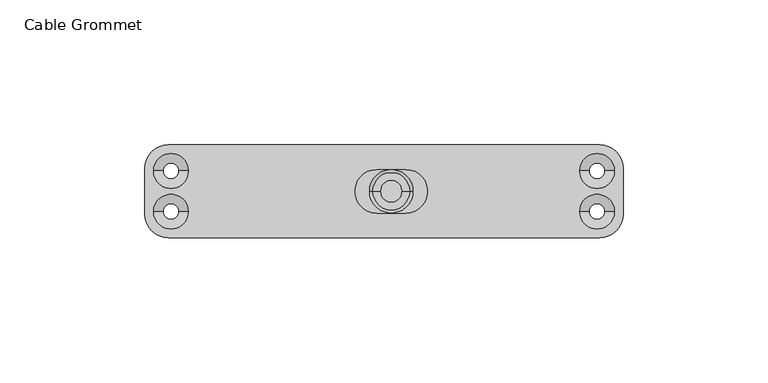
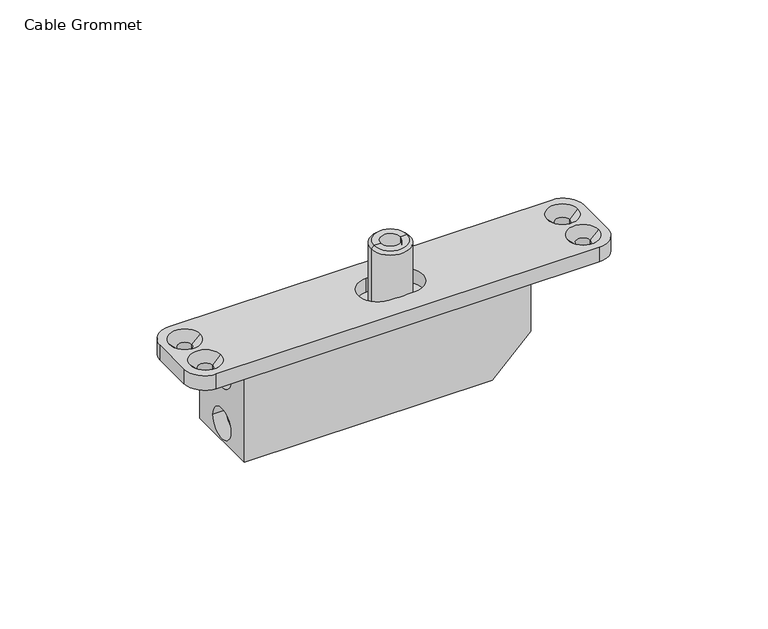
"""IFC4 building model written with IfcOpenShell, lengths in millimetres: proxy geometry, Cable Grommet."""

from ifc_helpers import new_model, si_unit, frame, origin, place, context, project, spatial, polyline, circle_curve, source, transform, mapped, element, save
from ifc_brep_helpers import plane_surface, cylinder_surface, revolved_surface, advanced_brep


def cable_grommet_64880d2e(model_context):
    return source(origin(), model_context, "Body", "AdvancedBrep", [
        advanced_brep(
        [(-65.6, -15.0, -41.0), (31.0, -15.0, -41.0), (46.0, -15.0, -26.0), (46.0, -15.0, -6.0), (-65.6, -15.0, -6.0), (-65.6, 15.0, -41.0), (-65.6, 15.0, -6.0), (46.0, 15.0, -6.0), (46.0, 15.0, -26.0), (31.0, 15.0, -41.0), (-65.6, -6.1, -13.0), (-65.6, 6.1, -13.0), (-65.6, -6.1, -34.0), (-65.6, 6.1, -34.0), (-60.45, -6.1, -13.0), (-60.45, 6.1, -13.0), (-56.45, -3.1, -13.0), (-56.45, 0.0, -13.0), (-56.45, 3.1, -13.0), (-57.45, 3.1, -13.0), (-57.45, -3.1, -13.0), (-60.45, -6.1, -34.0), (-60.45, 6.1, -34.0), (-56.45, -3.1, -34.0), (-56.45, 0.0, -34.0), (-56.45, 3.1, -34.0), (-57.45, 3.1, -34.0), (-57.45, -3.1, -34.0)],
        [
            (0, 1),
            (1, 2),
            (2, 3),
            (3, 4),
            (4, 0),
            (5, 6),
            (6, 7),
            (7, 8),
            (8, 9),
            (9, 5),
            (0, 5),
            (9, 1),
            (8, 2),
            (7, 3),
            (6, 4),
            (10, 11, circle_curve(frame((-65.6, 0.0, -13.0), z_axis=(1.0, 0.0, 0.0), x_axis=(0.0, 1.0, 0.0)), 6.1)),
            (11, 10, circle_curve(frame((-65.6, 0.0, -13.0), z_axis=(1.0, 0.0, 0.0), x_axis=(0.0, 1.0, 0.0)), 6.1)),
            (12, 13, circle_curve(frame((-65.6, 0.0, -34.0), z_axis=(1.0, 0.0, 0.0), x_axis=(0.0, 1.0, 0.0)), 6.1)),
            (13, 12, circle_curve(frame((-65.6, 0.0, -34.0), z_axis=(1.0, 0.0, 0.0), x_axis=(0.0, 1.0, 0.0)), 6.1)),
            (10, 14),
            (14, 15, circle_curve(frame((-60.45, 0.0, -13.0), z_axis=(1.0, 0.0, 0.0), x_axis=(0.0, 1.0, 0.0)), 6.1)),
            (15, 11),
            (15, 14, circle_curve(frame((-60.45, 0.0, -13.0), z_axis=(1.0, 0.0, 0.0), x_axis=(0.0, 1.0, 0.0)), 6.1)),
            (16, 17),
            (17, 18),
            (18, 16, circle_curve(frame((-56.45, 0.0, -13.0), z_axis=(-1.0, 0.0, 0.0), x_axis=(0.0, 1.0, 0.0)), 3.1)),
            (16, 18, circle_curve(frame((-56.45, 0.0, -13.0), z_axis=(-1.0, 0.0, 0.0), x_axis=(0.0, 1.0, 0.0)), 3.1)),
            (18, 19),
            (19, 20, circle_curve(frame((-57.45, 0.0, -13.0), z_axis=(-1.0, 0.0, 0.0), x_axis=(0.0, 1.0, 0.0)), 3.1)),
            (20, 16),
            (20, 19, circle_curve(frame((-57.45, 0.0, -13.0), z_axis=(-1.0, 0.0, 0.0), x_axis=(0.0, 1.0, 0.0)), 3.1)),
            (14, 20),
            (19, 15),
            (12, 21),
            (21, 22, circle_curve(frame((-60.45, 0.0, -34.0), z_axis=(1.0, 0.0, 0.0), x_axis=(0.0, 1.0, 0.0)), 6.1)),
            (22, 13),
            (22, 21, circle_curve(frame((-60.45, 0.0, -34.0), z_axis=(1.0, 0.0, 0.0), x_axis=(0.0, 1.0, 0.0)), 6.1)),
            (23, 24),
            (24, 25),
            (25, 23, circle_curve(frame((-56.45, 0.0, -34.0), z_axis=(-1.0, 0.0, 0.0), x_axis=(0.0, 1.0, 0.0)), 3.1)),
            (23, 25, circle_curve(frame((-56.45, 0.0, -34.0), z_axis=(-1.0, 0.0, 0.0), x_axis=(0.0, 1.0, 0.0)), 3.1)),
            (25, 26),
            (26, 27, circle_curve(frame((-57.45, 0.0, -34.0), z_axis=(-1.0, 0.0, 0.0), x_axis=(0.0, 1.0, 0.0)), 3.1)),
            (27, 23),
            (27, 26, circle_curve(frame((-57.45, 0.0, -34.0), z_axis=(-1.0, 0.0, 0.0), x_axis=(0.0, 1.0, 0.0)), 3.1)),
            (21, 27),
            (26, 22),
        ],
        [
            plane_surface(frame((-63.0, -15.0, -41.0), z_axis=(0.0, -1.0, 0.0), x_axis=(1.0, 0.0, 0.0))),
            plane_surface(frame((-63.0, 15.0, -41.0), z_axis=(0.0, 1.0, 0.0), x_axis=(-1.0, 0.0, 0.0))),
            plane_surface(frame((-65.6, -15.0, -41.0), z_axis=(0.0, 0.0, -1.0), x_axis=(0.0, 1.0, 0.0))),
            plane_surface(frame((31.0, -15.0, -41.0), z_axis=(0.7071067811865471, 0.0, -0.7071067811865479), x_axis=(0.0, 1.0, 0.0))),
            plane_surface(frame((46.0, -15.0, -26.0), z_axis=(1.0, 0.0, 0.0), x_axis=(0.0, 1.0, 0.0))),
            plane_surface(frame((46.0, -15.0, -6.0), z_axis=(0.0, 0.0, 1.0), x_axis=(0.0, 1.0, 0.0))),
            plane_surface(frame((-65.6, -15.0, -6.0), z_axis=(-1.0, 0.0, 0.0), x_axis=(0.0, 1.0, 0.0))),
            revolved_surface(polyline([(-65.6, 6.1, -13.0), (-60.45, 6.1, -13.0)]), (-74.9217314, 0.0, -13.0), (-1.0, 0.0, 0.0)),
            plane_surface(frame((-56.45, 0.0, -13.0), z_axis=(-1.0, 0.0, 0.0), x_axis=(0.0, 1.0, 0.0))),
            revolved_surface(polyline([(-57.45, 3.1, -13.0), (-56.45, 3.1, -13.0)]), (-74.9217314, 0.0, -13.0), (-1.0, 0.0, 0.0)),
            revolved_surface(polyline([(-60.45, 6.1, -13.0), (-57.45, 3.1, -13.0)]), (-74.9217314, 0.0, -13.0), (-1.0, 0.0, 0.0)),
            revolved_surface(polyline([(-65.6, 6.1, -34.0), (-60.45, 6.1, -34.0)]), (-74.9217314, 0.0, -34.0), (-1.0, 0.0, 0.0)),
            plane_surface(frame((-56.45, 0.0, -34.0), z_axis=(-1.0, 0.0, 0.0), x_axis=(0.0, 1.0, 0.0))),
            revolved_surface(polyline([(-57.45, 3.1, -34.0), (-56.45, 3.1, -34.0)]), (-74.9217314, 0.0, -34.0), (-1.0, 0.0, 0.0)),
            revolved_surface(polyline([(-60.45, 6.1, -34.0), (-57.45, 3.1, -34.0)]), (-74.9217314, 0.0, -34.0), (-1.0, 0.0, 0.0)),
        ],
        [
            (0, [[1, 2, 3, 4, 5]]),
            (1, [[6, 7, 8, 9, 10]]),
            (2, [[-1, 11, -10, 12]]),
            (3, [[-2, -12, -9, 13]]),
            (4, [[-3, -13, -8, 14]]),
            (5, [[-4, -14, -7, 15]]),
            (6, [[-5, -15, -6, -11], [16, 17], [18, 19]]),
            (7, [[20, 21, 22, -16]]),
            (7, [[-20, -17, -22, 23]]),
            (8, [[24, 25, 26]]),
            (8, [[-24, 27, -25]]),
            (9, [[-26, 28, 29, 30]]),
            (9, [[-27, -30, 31, -28]]),
            (10, [[-21, 32, -29, 33]]),
            (10, [[-23, -33, -31, -32]]),
            (11, [[34, 35, 36, -18]]),
            (11, [[-34, -19, -36, 37]]),
            (12, [[38, 39, 40]]),
            (12, [[-38, 41, -39]]),
            (13, [[-40, 42, 43, 44]]),
            (13, [[-41, -44, 45, -42]]),
            (14, [[-35, 46, -43, 47]]),
            (14, [[-37, -47, -45, -46]]),
        ],
    ),
        advanced_brep(
        [(7.5, 0.0, 17.5), (-7.5, 0.0, 17.5), (-6.5, 0.0, 18.5), (6.5, 0.0, 18.5), (7.5, 0.0, -6.0), (-7.5, 0.0, -6.0), (3.75, 0.0, -6.0), (-3.75, 0.0, -6.0), (3.75, 0.0, 18.5), (-3.75, 0.0, 18.5)],
        [
            (0, 1, circle_curve(frame((0.0, 0.0, 17.5), z_axis=(0.0, 0.0, 1.0), x_axis=(-1.0, 0.0, 0.0)), 7.5)),
            (1, 2),
            (2, 3, circle_curve(frame((0.0, 0.0, 18.5), z_axis=(0.0, 0.0, -1.0), x_axis=(-1.0, 0.0, 0.0)), 6.5)),
            (3, 0),
            (1, 0, circle_curve(frame((0.0, 0.0, 17.5), z_axis=(0.0, 0.0, 1.0), x_axis=(-1.0, 0.0, 0.0)), 7.5)),
            (3, 2, circle_curve(frame((0.0, 0.0, 18.5), z_axis=(0.0, 0.0, -1.0), x_axis=(-1.0, 0.0, 0.0)), 6.5)),
            (4, 5, circle_curve(frame((0.0, 0.0, -6.0), z_axis=(0.0, 0.0, 1.0), x_axis=(-1.0, 0.0, 0.0)), 7.5)),
            (5, 1),
            (0, 4),
            (5, 4, circle_curve(frame((0.0, 0.0, -6.0), z_axis=(0.0, 0.0, 1.0), x_axis=(-1.0, 0.0, 0.0)), 7.5)),
            (6, 7, circle_curve(frame((0.0, 0.0, -6.0), z_axis=(0.0, 0.0, 1.0), x_axis=(-1.0, 0.0, 0.0)), 3.75)),
            (7, 5),
            (4, 6),
            (7, 6, circle_curve(frame((0.0, 0.0, -6.0), z_axis=(0.0, 0.0, 1.0), x_axis=(-1.0, 0.0, 0.0)), 3.75)),
            (8, 9, circle_curve(frame((0.0, 0.0, 18.5), z_axis=(0.0, 0.0, 1.0), x_axis=(-1.0, 0.0, 0.0)), 3.75)),
            (9, 7),
            (6, 8),
            (9, 8, circle_curve(frame((0.0, 0.0, 18.5), z_axis=(0.0, 0.0, 1.0), x_axis=(-1.0, 0.0, 0.0)), 3.75)),
            (2, 9),
            (8, 3),
        ],
        [
            revolved_surface(polyline([(-6.5, 0.0, 18.5), (-7.5, 0.0, 17.5)]), (0.0, 0.0, 22.7266465), (0.0, 0.0, -1.0)),
            cylinder_surface(frame((0.0, 0.0, 22.7266465), z_axis=(0.0, 0.0, -1.0), x_axis=(-1.0, 0.0, 0.0)), 7.5),
            plane_surface(frame((0.0, 0.0, -6.0), z_axis=(0.0, 0.0, -1.0), x_axis=(-1.0, 0.0, 0.0))),
            revolved_surface(polyline([(-3.75, 0.0, -6.0), (-3.75, 0.0, 18.5)]), (0.0, 0.0, 22.7266465), (0.0, 0.0, -1.0)),
            plane_surface(frame((0.0, 0.0, 18.5), z_axis=(0.0, 0.0, 1.0), x_axis=(-1.0, 0.0, 0.0))),
        ],
        [
            (0, [[1, 2, 3, 4]]),
            (0, [[5, -4, 6, -2]]),
            (1, [[7, 8, -1, 9]]),
            (1, [[10, -9, -5, -8]]),
            (2, [[11, 12, -7, 13]]),
            (2, [[14, -13, -10, -12]]),
            (3, [[15, 16, -11, 17]]),
            (3, [[18, -17, -14, -16]]),
            (4, [[-3, 19, -15, 20]]),
            (4, [[-6, -20, -18, -19]]),
        ],
    ),
        advanced_brep(
        [(-77.0, -16.0, -6.0), (72.0, -16.0, -6.0), (72.0, -16.0, 0.0), (-77.0, -16.0, 0.0), (-77.0, 16.0, 0.0), (72.0, 16.0, 0.0), (72.0, 16.0, -6.0), (-77.0, 16.0, -6.0), (-85.0, -8.0, 0.0), (-85.0, 8.0, 0.0), (-85.0, 8.0, -6.0), (-85.0, -8.0, -6.0), (80.0, -8.0, 0.0), (80.0, 8.0, 0.0), (77.0, 7.0, 0.0), (65.0, 7.0, 0.0), (-70.0, 7.0, 0.0), (-82.0, 7.0, 0.0), (-70.0, -7.0, 0.0), (-82.0, -7.0, 0.0), (77.0, -7.0, 0.0), (65.0, -7.0, 0.0), (-5.0, 7.5, 0.0), (5.0, 7.5, 0.0), (5.0, -7.5, 0.0), (-5.0, -7.5, 0.0), (80.0, -8.0, -6.0), (80.0, 8.0, -6.0), (68.25, 7.0, -6.0), (73.75, 7.0, -6.0), (-78.75, 7.0, -6.0), (-73.25, 7.0, -6.0), (-78.75, -7.0, -6.0), (-73.25, -7.0, -6.0), (68.25, -7.0, -6.0), (73.75, -7.0, -6.0), (5.0, 7.5, -6.0), (-5.0, 7.5, -6.0), (-5.0, -7.5, -6.0), (5.0, -7.5, -6.0), (73.75, 7.0, -3.25), (68.25, 7.0, -3.25), (-73.25, 7.0, -3.25), (-78.75, 7.0, -3.25), (-73.25, -7.0, -3.25), (-78.75, -7.0, -3.25), (73.75, -7.0, -3.25), (68.25, -7.0, -3.25)],
        [
            (0, 1),
            (1, 2),
            (2, 3),
            (3, 0),
            (4, 5),
            (5, 6),
            (6, 7),
            (7, 4),
            (8, 9),
            (9, 10),
            (10, 11),
            (11, 8),
            (2, 12, circle_curve(frame((72.0, -8.0, 0.0), z_axis=(0.0, 0.0, 1.0), x_axis=(-1.0, 0.0, 0.0)), 8.0)),
            (12, 13),
            (13, 5, circle_curve(frame((72.0, 8.0, 0.0), z_axis=(0.0, 0.0, 1.0), x_axis=(-1.0, 0.0, 0.0)), 8.0)),
            (4, 9, circle_curve(frame((-77.0, 8.0, 0.0), z_axis=(0.0, 0.0, 1.0), x_axis=(1.0, 0.0, 0.0)), 8.0)),
            (8, 3, circle_curve(frame((-77.0, -8.0, 0.0), z_axis=(0.0, 0.0, 1.0), x_axis=(1.0, 0.0, 0.0)), 8.0)),
            (14, 15, circle_curve(frame((71.0, 7.0, 0.0), z_axis=(0.0, 0.0, -1.0), x_axis=(-1.0, 0.0, 0.0)), 6.0)),
            (15, 14, circle_curve(frame((71.0, 7.0, 0.0), z_axis=(0.0, 0.0, -1.0), x_axis=(-1.0, 0.0, 0.0)), 6.0)),
            (16, 17, circle_curve(frame((-76.0, 7.0, 0.0), z_axis=(0.0, 0.0, -1.0), x_axis=(-1.0, 0.0, 0.0)), 6.0)),
            (17, 16, circle_curve(frame((-76.0, 7.0, 0.0), z_axis=(0.0, 0.0, -1.0), x_axis=(-1.0, 0.0, 0.0)), 6.0)),
            (18, 19, circle_curve(frame((-76.0, -7.0, 0.0), z_axis=(0.0, 0.0, -1.0), x_axis=(-1.0, 0.0, 0.0)), 6.0)),
            (19, 18, circle_curve(frame((-76.0, -7.0, 0.0), z_axis=(0.0, 0.0, -1.0), x_axis=(-1.0, 0.0, 0.0)), 6.0)),
            (20, 21, circle_curve(frame((71.0, -7.0, 0.0), z_axis=(0.0, 0.0, -1.0), x_axis=(-1.0, 0.0, 0.0)), 6.0)),
            (21, 20, circle_curve(frame((71.0, -7.0, 0.0), z_axis=(0.0, 0.0, -1.0), x_axis=(-1.0, 0.0, 0.0)), 6.0)),
            (22, 23),
            (23, 24, circle_curve(frame((5.0, 0.0, 0.0), z_axis=(0.0, 0.0, -1.0), x_axis=(0.0, -1.0, 0.0)), 7.5)),
            (24, 25),
            (25, 22, circle_curve(frame((-5.0, 0.0, 0.0), z_axis=(0.0, 0.0, -1.0), x_axis=(0.0, -1.0, 0.0)), 7.5)),
            (12, 26),
            (26, 27),
            (27, 13),
            (0, 11, circle_curve(frame((-77.0, -8.0, -6.0), z_axis=(0.0, 0.0, -1.0), x_axis=(1.0, 0.0, 0.0)), 8.0)),
            (10, 7, circle_curve(frame((-77.0, 8.0, -6.0), z_axis=(0.0, 0.0, -1.0), x_axis=(1.0, 0.0, 0.0)), 8.0)),
            (6, 27, circle_curve(frame((72.0, 8.0, -6.0), z_axis=(0.0, 0.0, -1.0), x_axis=(-1.0, 0.0, 0.0)), 8.0)),
            (26, 1, circle_curve(frame((72.0, -8.0, -6.0), z_axis=(0.0, 0.0, -1.0), x_axis=(-1.0, 0.0, 0.0)), 8.0)),
            (28, 29, circle_curve(frame((71.0, 7.0, -6.0), z_axis=(0.0, 0.0, 1.0), x_axis=(-1.0, 0.0, 0.0)), 2.75)),
            (29, 28, circle_curve(frame((71.0, 7.0, -6.0), z_axis=(0.0, 0.0, 1.0), x_axis=(-1.0, 0.0, 0.0)), 2.75)),
            (30, 31, circle_curve(frame((-76.0, 7.0, -6.0), z_axis=(0.0, 0.0, 1.0), x_axis=(-1.0, 0.0, 0.0)), 2.75)),
            (31, 30, circle_curve(frame((-76.0, 7.0, -6.0), z_axis=(0.0, 0.0, 1.0), x_axis=(-1.0, 0.0, 0.0)), 2.75)),
            (32, 33, circle_curve(frame((-76.0, -7.0, -6.0), z_axis=(0.0, 0.0, 1.0), x_axis=(-1.0, 0.0, 0.0)), 2.75)),
            (33, 32, circle_curve(frame((-76.0, -7.0, -6.0), z_axis=(0.0, 0.0, 1.0), x_axis=(-1.0, 0.0, 0.0)), 2.75)),
            (34, 35, circle_curve(frame((71.0, -7.0, -6.0), z_axis=(0.0, 0.0, 1.0), x_axis=(-1.0, 0.0, 0.0)), 2.75)),
            (35, 34, circle_curve(frame((71.0, -7.0, -6.0), z_axis=(0.0, 0.0, 1.0), x_axis=(-1.0, 0.0, 0.0)), 2.75)),
            (36, 37),
            (37, 38, circle_curve(frame((-5.0, 0.0, -6.0), z_axis=(0.0, 0.0, 1.0), x_axis=(0.0, -1.0, 0.0)), 7.5)),
            (38, 39),
            (39, 36, circle_curve(frame((5.0, 0.0, -6.0), z_axis=(0.0, 0.0, 1.0), x_axis=(0.0, -1.0, 0.0)), 7.5)),
            (40, 29),
            (28, 41),
            (41, 40, circle_curve(frame((71.0, 7.0, -3.25), z_axis=(0.0, 0.0, 1.0), x_axis=(-1.0, 0.0, 0.0)), 2.75)),
            (40, 41, circle_curve(frame((71.0, 7.0, -3.25), z_axis=(0.0, 0.0, 1.0), x_axis=(-1.0, 0.0, 0.0)), 2.75)),
            (41, 15),
            (14, 40),
            (42, 31),
            (30, 43),
            (43, 42, circle_curve(frame((-76.0, 7.0, -3.25), z_axis=(0.0, 0.0, 1.0), x_axis=(-1.0, 0.0, 0.0)), 2.75)),
            (42, 43, circle_curve(frame((-76.0, 7.0, -3.25), z_axis=(0.0, 0.0, 1.0), x_axis=(-1.0, 0.0, 0.0)), 2.75)),
            (43, 17),
            (16, 42),
            (44, 33),
            (32, 45),
            (45, 44, circle_curve(frame((-76.0, -7.0, -3.25), z_axis=(0.0, 0.0, 1.0), x_axis=(-1.0, 0.0, 0.0)), 2.75)),
            (44, 45, circle_curve(frame((-76.0, -7.0, -3.25), z_axis=(0.0, 0.0, 1.0), x_axis=(-1.0, 0.0, 0.0)), 2.75)),
            (45, 19),
            (18, 44),
            (46, 35),
            (34, 47),
            (47, 46, circle_curve(frame((71.0, -7.0, -3.25), z_axis=(0.0, 0.0, 1.0), x_axis=(-1.0, 0.0, 0.0)), 2.75)),
            (46, 47, circle_curve(frame((71.0, -7.0, -3.25), z_axis=(0.0, 0.0, 1.0), x_axis=(-1.0, 0.0, 0.0)), 2.75)),
            (47, 21),
            (20, 46),
            (22, 37),
            (36, 23),
            (25, 38),
            (24, 39),
        ],
        [
            plane_surface(frame((-62.0, -16.0, -6.0), z_axis=(0.0, -1.0, 0.0), x_axis=(1.0, 0.0, 0.0))),
            plane_surface(frame((-62.0, 16.0, -6.0), z_axis=(0.0, 1.0, 0.0), x_axis=(-1.0, 0.0, 0.0))),
            plane_surface(frame((-85.0, -16.0, 0.0), z_axis=(-1.0, 0.0, 0.0), x_axis=(0.0, 1.0, 0.0))),
            plane_surface(frame((80.0, -16.0, 0.0), z_axis=(0.0, 0.0, 1.0), x_axis=(0.0, 1.0, 0.0))),
            plane_surface(frame((80.0, -16.0, -6.0), z_axis=(1.0, 0.0, 0.0), x_axis=(0.0, 1.0, 0.0))),
            plane_surface(frame((-85.0, -16.0, -6.0), z_axis=(0.0, 0.0, -1.0), x_axis=(0.0, 1.0, 0.0))),
            cylinder_surface(frame((-77.0, -8.0, -7.0), z_axis=(0.0, 0.0, -1.0), x_axis=(1.0, 0.0, 0.0)), 8.0),
            cylinder_surface(frame((-77.0, 8.0, 0.0), z_axis=(0.0, 0.0, -1.0), x_axis=(1.0, 0.0, 0.0)), 8.0),
            cylinder_surface(frame((72.0, -8.0, 0.0), z_axis=(0.0, 0.0, -1.0), x_axis=(-1.0, 0.0, 0.0)), 8.0),
            cylinder_surface(frame((72.0, 8.0, 0.0), z_axis=(0.0, 0.0, -1.0), x_axis=(-1.0, 0.0, 0.0)), 8.0),
            revolved_surface(polyline([(68.25, 7.0, -3.2499999999999996), (68.25, 7.0, -6.0)]), (71.0, 7.0, 2.7351973), (0.0, 0.0, 1.0)),
            revolved_surface(polyline([(65.0, 7.0, 0.0), (68.25, 7.0, -3.25)]), (71.0, 7.0, 2.7351973), (0.0, 0.0, 1.0)),
            revolved_surface(polyline([(-78.75, 7.0, -3.2499999999999996), (-78.75, 7.0, -6.0)]), (-76.0, 7.0, 2.7351973), (0.0, 0.0, 1.0)),
            revolved_surface(polyline([(-82.0, 7.0, 0.0), (-78.75, 7.0, -3.25)]), (-76.0, 7.0, 2.7351973), (0.0, 0.0, 1.0)),
            revolved_surface(polyline([(-78.75, -7.0, -3.2499999999999996), (-78.75, -7.0, -6.0)]), (-76.0, -7.0, 2.7351973), (0.0, 0.0, 1.0)),
            revolved_surface(polyline([(-82.0, -7.0, 0.0), (-78.75, -7.0, -3.25)]), (-76.0, -7.0, 2.7351973), (0.0, 0.0, 1.0)),
            revolved_surface(polyline([(68.25, -7.0, -3.2499999999999996), (68.25, -7.0, -6.0)]), (71.0, -7.0, 2.7351973), (0.0, 0.0, 1.0)),
            revolved_surface(polyline([(65.0, -7.0, 0.0), (68.25, -7.0, -3.25)]), (71.0, -7.0, 2.7351973), (0.0, 0.0, 1.0)),
            plane_surface(frame((5.0, 7.5, 0.0), z_axis=(0.0, -1.0, 0.0), x_axis=(0.0, 0.0, -1.0))),
            revolved_surface(polyline([(-5.0, -7.5, 0.0), (-5.0, -7.5, -6.0)]), (-5.0, 0.0, 0.0), (0.0, 0.0, 1.0)),
            plane_surface(frame((-5.0, -7.5, 0.0), z_axis=(0.0, 1.0, 0.0), x_axis=(0.0, 0.0, -1.0))),
            revolved_surface(polyline([(5.0, -7.5, 0.0), (5.0, -7.5, -6.0)]), (5.0, 0.0, 0.0), (0.0, 0.0, 1.0)),
        ],
        [
            (0, [[1, 2, 3, 4]]),
            (1, [[5, 6, 7, 8]]),
            (2, [[9, 10, 11, 12]]),
            (3, [[-3, 13, 14, 15, -5, 16, -9, 17], [18, 19], [20, 21], [22, 23], [24, 25], [26, 27, 28, 29]]),
            (4, [[-14, 30, 31, 32]]),
            (5, [[-1, 33, -11, 34, -7, 35, -31, 36], [37, 38], [39, 40], [41, 42], [43, 44], [45, 46, 47, 48]]),
            (6, [[-4, -17, -12, -33]]),
            (7, [[-8, -34, -10, -16]]),
            (8, [[-2, -36, -30, -13]]),
            (9, [[-6, -15, -32, -35]]),
            (10, [[49, -37, 50, 51]]),
            (10, [[-49, 52, -50, -38]]),
            (11, [[-51, 53, -18, 54]]),
            (11, [[-52, -54, -19, -53]]),
            (12, [[55, -39, 56, 57]]),
            (12, [[-55, 58, -56, -40]]),
            (13, [[-57, 59, -20, 60]]),
            (13, [[-58, -60, -21, -59]]),
            (14, [[61, -41, 62, 63]]),
            (14, [[-61, 64, -62, -42]]),
            (15, [[-63, 65, -22, 66]]),
            (15, [[-64, -66, -23, -65]]),
            (16, [[67, -43, 68, 69]]),
            (16, [[-67, 70, -68, -44]]),
            (17, [[-69, 71, -24, 72]]),
            (17, [[-70, -72, -25, -71]]),
            (18, [[73, -45, 74, -26]]),
            (19, [[-73, -29, 75, -46]]),
            (20, [[-75, -28, 76, -47]]),
            (21, [[-74, -48, -76, -27]]),
        ],
    ),
    ])


if __name__ == "__main__":
    model = new_model("IFC4")
    model_context = context("Model", 3, world=origin())
    ifc_project = project(units=[si_unit("LENGTHUNIT", "METRE", prefix="MILLI")], contexts=[model_context])
    site = spatial("IfcSite", under=ifc_project)
    building = spatial("IfcBuilding", under=site)
    placement = place(None, origin())
    cable_grommet_shape = cable_grommet_64880d2e(model_context)
    element("IfcBuildingElementProxy", 1, Name="Cable Grommet", ObjectType="Cable Grommet", at=placement, inside=building, context=model_context, shape_type="MappedRepresentation", body=[
        mapped(cable_grommet_shape, transform((0.0, 0.0, 0.0), x_axis=(1.0, 0.0, 0.0), y_axis=(0.0, 1.0, 0.0), z_axis=(0.0, 0.0, 1.0))),
    ])
    save(model, "model.ifc")
